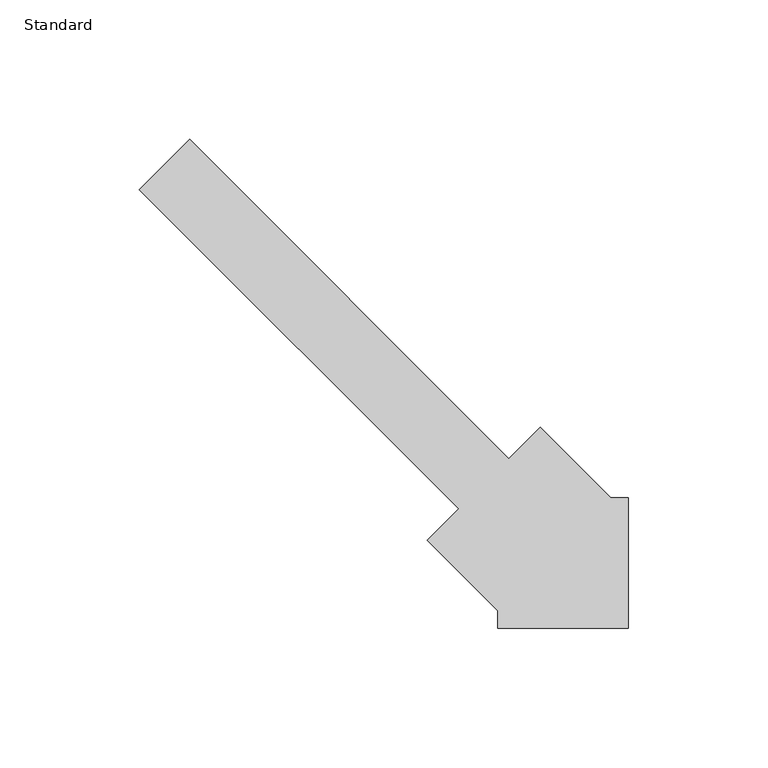
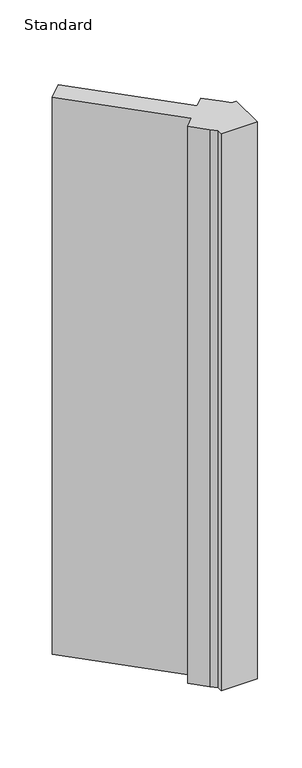
"""IFC4 building model written with IfcOpenShell, lengths in millimetres: proxy geometry, Standard."""

from ifc_helpers import new_model, si_unit, origin, origin_with_axes, place, context, project, spatial, polyline, outline, extrude, source, transform, mapped, element, save


def standard_9a9d45a7(model_context):
    return source(origin(), model_context, "Body", "SweptSolid", [
        extrude(outline(polyline([(-6.35, 46.7611525), (0.0, 46.7611525), (0.0, 0.0), (-46.7611525, 0.0), (-46.7611525, 6.35), (-54.0576106, 13.6464581), (-72.0181229, 31.6069703), (-60.7928027, 42.8322905), (-175.2910683, 157.330556), (-157.330556, 175.2910683), (-42.8322905, 60.7928027), (-31.6069703, 72.0181229), (-13.6464581, 54.0576106), (-6.35, 46.7611525)])), origin_with_axes(), (0.0, 0.0, 1.0), 765.1750001),
    ])


if __name__ == "__main__":
    model = new_model("IFC4")
    model_context = context("Model", 3, world=origin())
    ifc_project = project(units=[si_unit("LENGTHUNIT", "METRE", prefix="MILLI")], contexts=[model_context])
    site = spatial("IfcSite", under=ifc_project)
    building = spatial("IfcBuilding", under=site)
    placement = place(None, origin())
    standard_shape = standard_9a9d45a7(model_context)
    element("IfcBuildingElementProxy", 1, Name="Standard", ObjectType="Standard", at=placement, inside=building, context=model_context, shape_type="MappedRepresentation", body=[
        mapped(standard_shape, transform((0.0, 0.0, 0.0), x_axis=(1.0, 0.0, 0.0), y_axis=(0.0, 1.0, 0.0), z_axis=(0.0, 0.0, 1.0))),
    ])
    save(model, "model.ifc")
